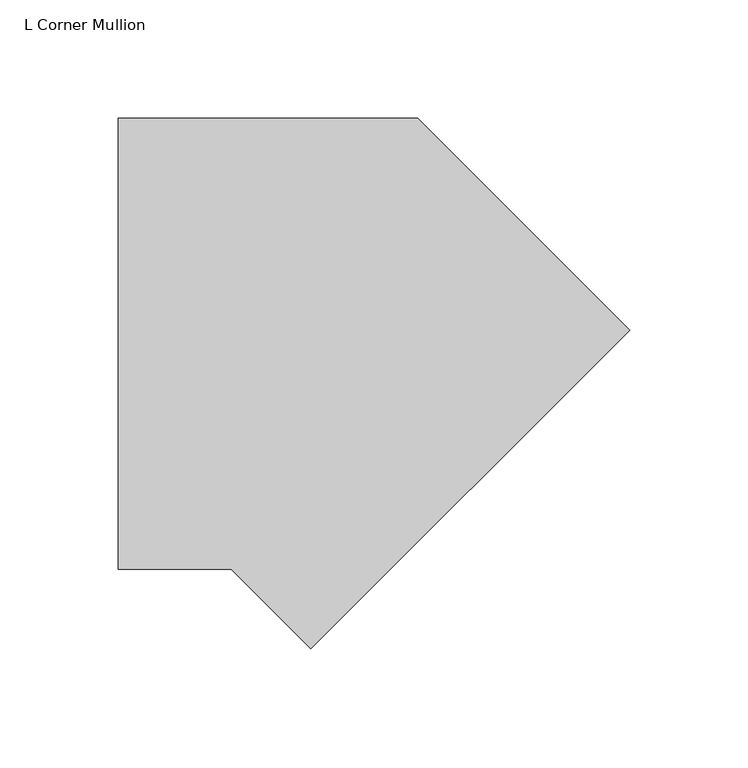
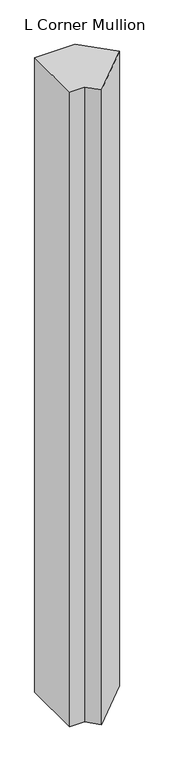
"""IFC4 building model written with IfcOpenShell, lengths in millimetres: member geometry, L Corner Mullion."""

from ifc_helpers import new_model, si_unit, frame, origin, place, context, project, spatial, polyline, outline, extrude, source, transform, mapped, element, save


def l_corner_mullion_38c21ee0(model_context):
    return source(origin(), model_context, "Body", "SweptSolid", [
        extrude(outline(polyline([(-29.4252817, -186.1008652), (-63.1261469, -152.4), (-110.7863676, -152.4), (-110.7863676, 38.1), (15.7815367, 38.1), (105.2785601, -51.3970234), (-29.4252817, -186.1008652)])), frame((0.0, 0.0, -2113.59299), z_axis=(0.0, 0.0, 1.0), x_axis=(1.0, 0.0, 0.0)), (0.0, 0.0, 1.0), 2113.59299),
    ])


if __name__ == "__main__":
    model = new_model("IFC4")
    model_context = context("Model", 3, world=origin())
    ifc_project = project(units=[si_unit("LENGTHUNIT", "METRE", prefix="MILLI")], contexts=[model_context])
    site = spatial("IfcSite", under=ifc_project)
    building = spatial("IfcBuilding", under=site)
    placement = place(None, origin())
    l_corner_mullion_shape = l_corner_mullion_38c21ee0(model_context)
    element("IfcMember", 1, ObjectType="L Corner Mullion", at=placement, inside=building, context=model_context, shape_type="MappedRepresentation", body=[
        mapped(l_corner_mullion_shape, transform((0.0, 0.0, 0.0), x_axis=(1.0, 0.0, 0.0), y_axis=(0.0, 1.0, 0.0), z_axis=(0.0, 0.0, 1.0))),
    ])
    save(model, "model.ifc")
